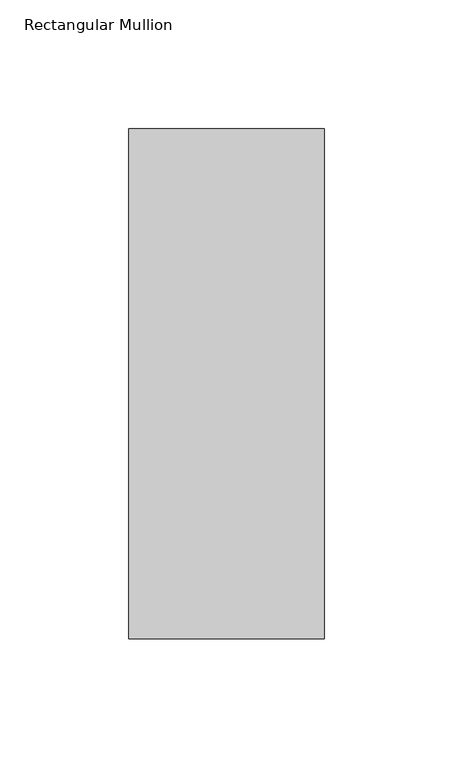
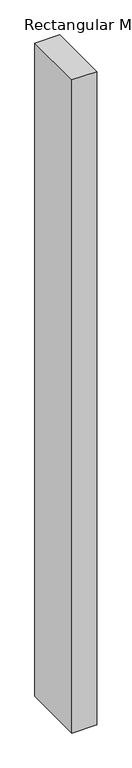
"""IFC4 building model written with IfcOpenShell, lengths in millimetres: member geometry, Rectangular Mullion."""

from ifc_helpers import new_model, si_unit, frame, origin, place, context, project, spatial, polyline, outline, extrude, source, transform, mapped, element, save


def rectangular_mullion_e4c58daa(model_context):
    return source(origin(), model_context, "Body", "SweptSolid", [
        extrude(outline(polyline([(38.1, -156.36875), (-38.1, -156.36875), (-38.1, 42.06875), (38.1, 42.06875), (38.1, -156.36875)])), frame((0.0, 0.0, -2133.6), z_axis=(0.0, 0.0, 1.0), x_axis=(1.0, 0.0, 0.0)), (0.0, 0.0, 1.0), 2133.6),
    ])


if __name__ == "__main__":
    model = new_model("IFC4")
    model_context = context("Model", 3, world=origin())
    ifc_project = project(units=[si_unit("LENGTHUNIT", "METRE", prefix="MILLI")], contexts=[model_context])
    site = spatial("IfcSite", under=ifc_project)
    building = spatial("IfcBuilding", under=site)
    placement = place(None, origin())
    rectangular_mullion_shape = rectangular_mullion_e4c58daa(model_context)
    element("IfcMember", 1, ObjectType="Rectangular Mullion", at=placement, inside=building, context=model_context, shape_type="MappedRepresentation", body=[
        mapped(rectangular_mullion_shape, transform((0.0, 0.0, 0.0), x_axis=(1.0, 0.0, 0.0), y_axis=(0.0, 1.0, 0.0), z_axis=(0.0, 0.0, 1.0))),
    ])
    save(model, "model.ifc")
